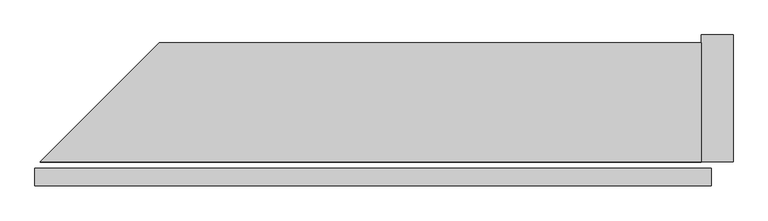
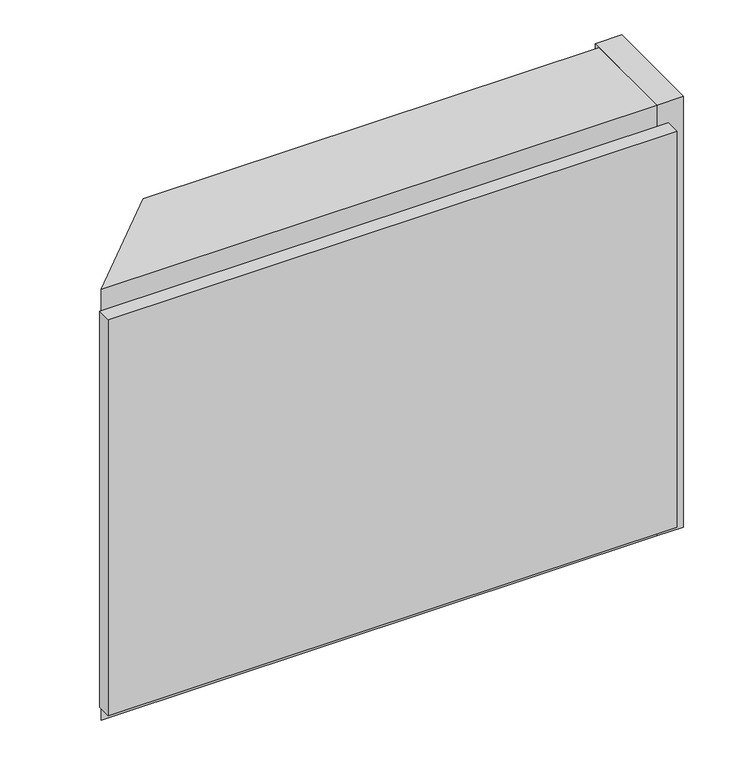
"""IFC4 building model written with IfcOpenShell, lengths in millimetres: plate geometry."""

from ifc_helpers import new_model, si_unit, frame, origin, origin_with_axes, place, context, project, spatial, polyline, outline, extrude, source, transform, mapped, element, save


def plate_324267bb(model_context):
    return source(origin(), model_context, "Body", "SweptSolid", [
        extrude(outline(polyline([(852.0, 0.0), (-852.0, 0.0), (-852.0, 44.0), (852.0, 44.0), (852.0, 0.0)])), origin_with_axes(), (0.0, 0.0, 1.0), 1254.465707),
        extrude(outline(polyline([(827.0, 260.0), (827.0, 60.0), (-838.4314575, 60.0), (-638.4314575, 260.0), (827.0, 260.0)])), frame((0.0, 0.0, -55.0), z_axis=(0.0, 0.0, 1.0), x_axis=(1.0, 0.0, 0.0)), (0.0, 0.0, 1.0), 80.0),
        extrude(outline(polyline([(827.0, 360.0), (827.0, 60.0), (-838.4314575, 60.0), (-538.4314575, 360.0), (827.0, 360.0)])), frame((0.0, 0.0, 1229.465707), z_axis=(0.0, 0.0, 1.0), x_axis=(1.0, 0.0, 0.0)), (0.0, 0.0, 1.0), 80.0),
        extrude(outline(polyline([(907.0, 60.0), (827.0, 60.0), (827.0, 380.0), (907.0, 380.0), (907.0, 60.0)])), frame((0.0, 0.0, -55.0), z_axis=(0.0, 0.0, 1.0), x_axis=(1.0, 0.0, 0.0)), (0.0, 0.0, 1.0), 1364.465707),
    ])


if __name__ == "__main__":
    model = new_model("IFC4")
    model_context = context("Model", 3, world=origin())
    ifc_project = project(units=[si_unit("LENGTHUNIT", "METRE", prefix="MILLI")], contexts=[model_context])
    site = spatial("IfcSite", under=ifc_project)
    building = spatial("IfcBuilding", under=site)
    placement = place(None, origin())
    plate_shape = plate_324267bb(model_context)
    element("IfcPlate", 1, at=placement, inside=building, context=model_context, shape_type="MappedRepresentation", body=[
        mapped(plate_shape, transform((0.0, 0.0, 0.0), x_axis=(1.0, 0.0, 0.0), y_axis=(0.0, 1.0, 0.0), z_axis=(0.0, 0.0, 1.0))),
    ])
    save(model, "model.ifc")
